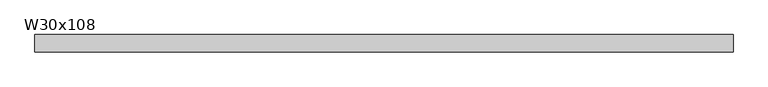
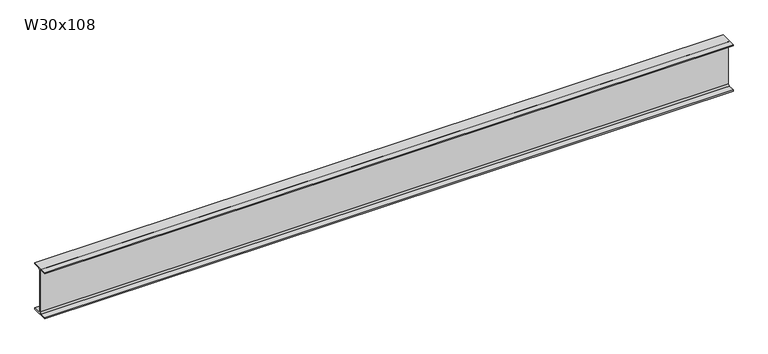
"""IFC4 building model written with IfcOpenShell, lengths in millimetres: beam geometry, W30x108."""

from ifc_helpers import new_model, si_unit, point, frame, frame_2d, origin, place, context, project, spatial, polyline, circle_curve, trimmed, segment, composite_curve, outline, extrude, source, transform, mapped, element, save


def w30x108_e0a92874(model_context):
    return source(origin(), model_context, "Body", "SweptSolid", [
        extrude(outline(composite_curve([segment(polyline([(133.35, -359.156), (133.35, -378.46), (-133.35, -378.46), (-133.35, -359.156), (-30.48, -359.156)]), True, "CONTINUOUS"), segment(trimmed(circle_curve(frame_2d((-30.48, -335.5975)), 23.5585), [point((-30.48, -359.156))], [point((-6.9215, -335.5975))], True, "CARTESIAN"), True, "CONTINUOUS"), segment(polyline([(-6.9215, -335.5975), (-6.9215, 335.5975)]), True, "CONTINUOUS"), segment(trimmed(circle_curve(frame_2d((-30.48, 335.5975)), 23.5585), [point((-6.9215, 335.5975))], [point((-30.48, 359.156))], True, "CARTESIAN"), True, "CONTINUOUS"), segment(polyline([(-30.48, 359.156), (-133.35, 359.156), (-133.35, 378.46), (133.35, 378.46), (133.35, 359.156), (30.48, 359.156)]), True, "CONTINUOUS"), segment(trimmed(circle_curve(frame_2d((30.48, 335.5975)), 23.5585), [point((30.48, 359.156))], [point((6.9215, 335.5975))], True, "CARTESIAN"), True, "CONTINUOUS"), segment(polyline([(6.9215, 335.5975), (6.9215, -335.5975)]), True, "CONTINUOUS"), segment(trimmed(circle_curve(frame_2d((30.48, -335.5975)), 23.5585), [point((6.9215, -335.5975))], [point((30.48, -359.156))], True, "CARTESIAN"), True, "CONTINUOUS"), segment(polyline([(30.48, -359.156), (133.35, -359.156)]), True, "CONTINUOUS")], self_intersect=False)), frame((-5322.57, 0.0, 0.0), z_axis=(1.0, 0.0, 0.0), x_axis=(0.0, 1.0, 0.0)), (0.0, 0.0, 1.0), 10645.14),
    ])


if __name__ == "__main__":
    model = new_model("IFC4")
    model_context = context("Model", 3, world=origin())
    ifc_project = project(units=[si_unit("LENGTHUNIT", "METRE", prefix="MILLI")], contexts=[model_context])
    site = spatial("IfcSite", under=ifc_project)
    building = spatial("IfcBuilding", under=site)
    placement = place(None, origin())
    w30x108_shape = w30x108_e0a92874(model_context)
    element("IfcBeam", 1, ObjectType="W30x108", at=placement, inside=building, context=model_context, shape_type="MappedRepresentation", body=[
        mapped(w30x108_shape, transform((0.0, 0.0, 0.0), x_axis=(1.0, 0.0, 0.0), y_axis=(0.0, 1.0, 0.0), z_axis=(0.0, 0.0, 1.0))),
    ])
    save(model, "model.ifc")
